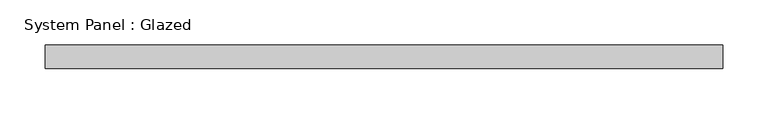
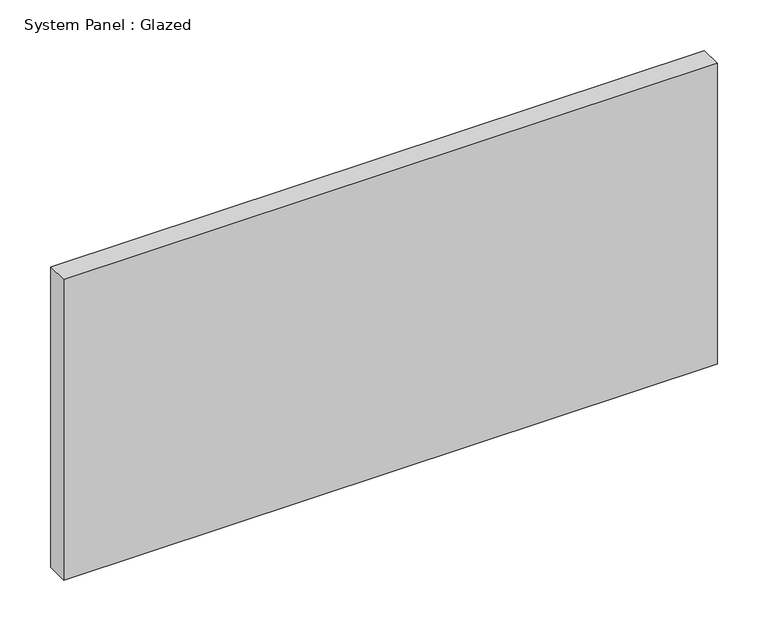
"""IFC4 building model written with IfcOpenShell, lengths in millimetres: plate geometry, System Panel : Glazed."""

from ifc_helpers import new_model, si_unit, origin, origin_with_axes, place, context, project, spatial, polyline, outline, extrude, source, transform, mapped, element, save


def system_panel_glazed_cda82125(model_context):
    return source(origin(), model_context, "Body", "SweptSolid", [
        extrude(outline(polyline([(372.26875, 19.05), (-372.26875, 19.05), (-372.26875, 44.45), (372.26875, 44.45), (372.26875, 19.05)])), origin_with_axes(), (0.0, 0.0, 1.0), 361.95),
    ])


if __name__ == "__main__":
    model = new_model("IFC4")
    model_context = context("Model", 3, world=origin())
    ifc_project = project(units=[si_unit("LENGTHUNIT", "METRE", prefix="MILLI")], contexts=[model_context])
    site = spatial("IfcSite", under=ifc_project)
    building = spatial("IfcBuilding", under=site)
    placement = place(None, origin())
    system_panel_glazed_shape = system_panel_glazed_cda82125(model_context)
    element("IfcPlate", 1, ObjectType="System Panel : Glazed", at=placement, inside=building, context=model_context, shape_type="MappedRepresentation", body=[
        mapped(system_panel_glazed_shape, transform((0.0, 0.0, 0.0), x_axis=(1.0, 0.0, 0.0), y_axis=(0.0, 1.0, 0.0), z_axis=(0.0, 0.0, 1.0))),
    ])
    save(model, "model.ifc")
